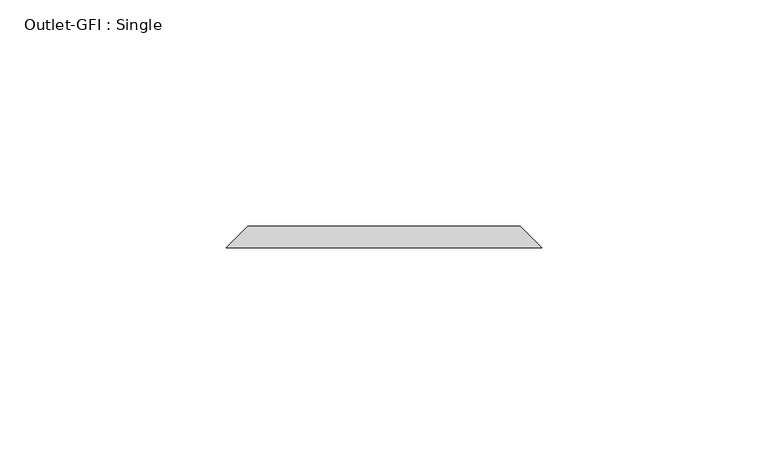
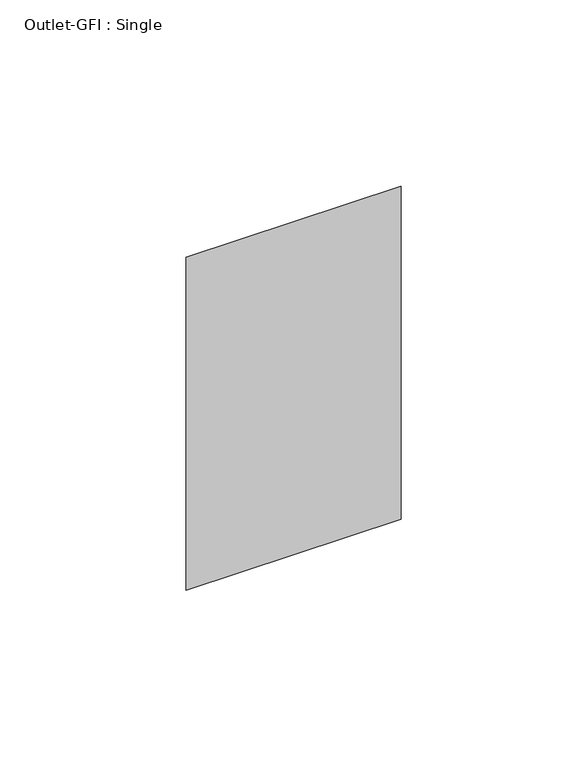
"""IFC4 building model written with IfcOpenShell, lengths in millimetres: proxy geometry, Outlet-GFI : Single."""

from ifc_helpers import new_model, si_unit, origin, place, context, project, spatial, faceted_brep, source, transform, mapped, element, save


def outlet_gfi_single_287b1538(model_context):
    return source(origin(), model_context, "Body", "Brep", [
        faceted_brep([(-30.1625, 96.8375, 1271.5875), (30.1625, 96.8375, 1271.5875), (30.1625, 96.8375, 1166.8125), (-30.1625, 96.8375, 1166.8125), (-34.925, 92.075, 1276.35), (-34.925, 92.075, 1162.05), (34.925, 92.075, 1162.05), (34.925, 92.075, 1276.35)], [[[0, 1, 2, 3]], [[4, 5, 6, 7]], [[4, 7, 1, 0]], [[7, 6, 2, 1]], [[6, 5, 3, 2]], [[5, 4, 0, 3]]]),
    ])


if __name__ == "__main__":
    model = new_model("IFC4")
    model_context = context("Model", 3, world=origin())
    ifc_project = project(units=[si_unit("LENGTHUNIT", "METRE", prefix="MILLI")], contexts=[model_context])
    site = spatial("IfcSite", under=ifc_project)
    building = spatial("IfcBuilding", under=site)
    placement = place(None, origin())
    outlet_gfi_single_shape = outlet_gfi_single_287b1538(model_context)
    element("IfcBuildingElementProxy", 1, Name="Outlet-GFI : Single", ObjectType="Outlet-GFI : Single", at=placement, inside=building, context=model_context, shape_type="MappedRepresentation", body=[
        mapped(outlet_gfi_single_shape, transform((0.0, 0.0, 0.0), x_axis=(1.0, 0.0, 0.0), y_axis=(0.0, 1.0, 0.0), z_axis=(0.0, 0.0, 1.0))),
    ])
    save(model, "model.ifc")
